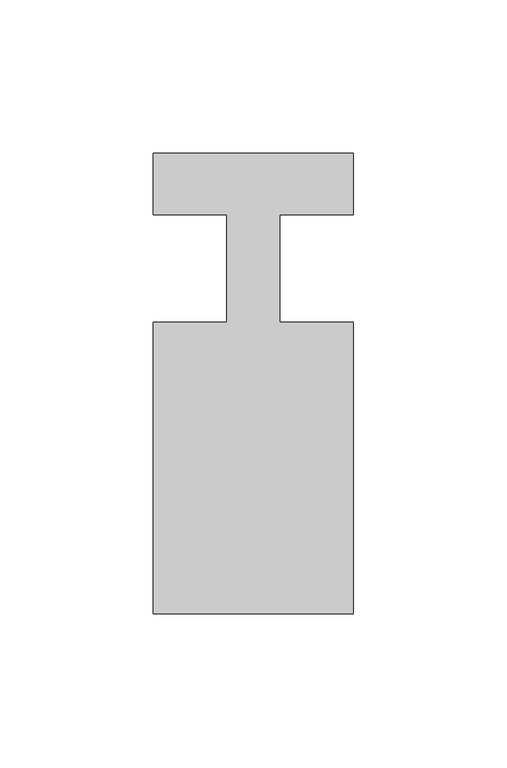
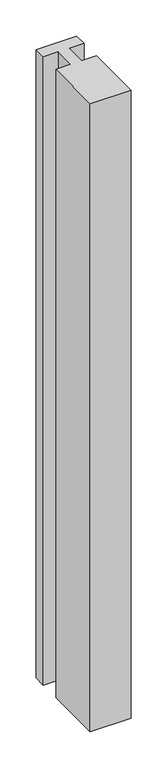
"""IFC4 building model written with IfcOpenShell, lengths in millimetres: member geometry."""

import ifcopenshell
import ifcopenshell.guid

model = None  # the IFC model being written
_history = None  # IfcOwnerHistory: only IFC2X3 demands one
_inside = {}  # id of a spatial element -> (the spatial element, [elements in it])
_under = {}  # id of a project, library or spatial element -> (it, [spatial elements below it])
_declared = {}  # id of a project -> (the project, [libraries it declares])
_typed = {}  # id of a type object -> (the type object, [elements of that type])
_made_of = {}  # id of a material, layer set ... -> (it, [elements and type objects made of it])


def new_model(schema):
    """Start an empty IFC model of exactly this schema.

    Asked for "IFC4X3", IfcOpenShell would pick the latest addendum, in which some entities
    have other attributes; the version numbers below select the first issue.
    IFC2X3 requires an IfcOwnerHistory on every rooted entity: one is made here for all.
    """
    global model, _history
    if schema == "IFC4X3":
        model = ifcopenshell.file(schema_version=(4, 3, 0, 0))
    else:
        model = ifcopenshell.file(schema=schema)
    _inside.clear()
    _under.clear()
    _declared.clear()
    _typed.clear()
    _made_of.clear()
    _history = None
    if model.schema == "IFC2X3":
        org = make("IfcOrganization", Name="unknown")
        user = make(
            "IfcPersonAndOrganization",
            ThePerson=make("IfcPerson", FamilyName="unknown"),
            TheOrganization=org,
        )
        app = make(
            "IfcApplication",
            ApplicationDeveloper=org,
            Version="unknown",
            ApplicationFullName="unknown",
            ApplicationIdentifier="unknown",
        )
        _history = make(
            "IfcOwnerHistory",
            OwningUser=user,
            OwningApplication=app,
            ChangeAction="ADDED",
            CreationDate=0,
        )
    return model


def make(cls, **values):
    """One entity of the class cls with the attributes given. An attribute that is None is left unset."""
    return model.create_entity(
        cls, **{name: value for name, value in values.items() if value is not None}
    )


def rooted(cls, **values):
    """An entity with a GlobalId (a new one), such as an element, a storey or a relation."""
    return make(cls, GlobalId=ifcopenshell.guid.new(), OwnerHistory=_history, **values)


def si_unit(unit_type, name, prefix=None):
    """IfcSIUnit, for example si_unit("LENGTHUNIT", "METRE", prefix="MILLI")."""
    return make("IfcSIUnit", UnitType=unit_type, Prefix=prefix, Name=name)


def assignment(units):
    """IfcUnitAssignment: the units of a project."""
    return None if units is None else make("IfcUnitAssignment", Units=units)


def point(xyz):
    """IfcCartesianPoint."""
    return None if xyz is None else make("IfcCartesianPoint", Coordinates=xyz)


def direction(xyz):
    """IfcDirection."""
    return None if xyz is None else make("IfcDirection", DirectionRatios=xyz)


def frame(location, z_axis=None, x_axis=None):
    """IfcAxis2Placement3D, a coordinate frame: its origin and axes. An axis left out is left unset."""
    return make(
        "IfcAxis2Placement3D",
        Location=point(location),
        Axis=direction(z_axis),
        RefDirection=direction(x_axis),
    )


def origin():
    """The frame at (0, 0, 0) with its axes left unset."""
    return frame((0.0, 0.0, 0.0))


def place(relative_to, where):
    """IfcLocalPlacement: puts the frame where relative to a parent placement (None: the world)."""
    return make(
        "IfcLocalPlacement", PlacementRelTo=relative_to, RelativePlacement=where
    )


def context(
    kind, dimensions, precision=None, world=None, true_north=None, identifier=None
):
    """IfcGeometricRepresentationContext, for example the 3D "Model" context."""
    return make(
        "IfcGeometricRepresentationContext",
        ContextIdentifier=identifier,
        ContextType=kind,
        CoordinateSpaceDimension=dimensions,
        Precision=precision,
        WorldCoordinateSystem=world,
        TrueNorth=true_north,
    )


def project(units=None, contexts=None):
    """IfcProject with its units and contexts."""
    return rooted(
        "IfcProject",
        Name="project",
        RepresentationContexts=contexts,
        UnitsInContext=assignment(units),
    )


def spatial(cls, under=None, at=None, **own):
    """A site, building, storey or space (cls), placed at a placement, below another one or the project."""
    s = rooted(cls, ObjectPlacement=at, **own)
    if under is not None:
        _under.setdefault(under.id(), (under, []))[1].append(s)
    return s


def polyline(points):
    """IfcPolyline through the points."""
    return make("IfcPolyline", Points=[point(p) for p in points])


def outline(outer, holes=None, kind="AREA"):
    """IfcArbitraryClosedProfileDef: a profile drawn as a closed curve; with holes, ...WithVoids."""
    if holes is None:
        return make("IfcArbitraryClosedProfileDef", ProfileType=kind, OuterCurve=outer)
    return make(
        "IfcArbitraryProfileDefWithVoids",
        ProfileType=kind,
        OuterCurve=outer,
        InnerCurves=holes,
    )


def extrude(swept, where, along, depth):
    """IfcExtrudedAreaSolid: the profile swept, set in the frame where, extruded along a direction by depth."""
    return make(
        "IfcExtrudedAreaSolid",
        SweptArea=swept,
        Position=where,
        ExtrudedDirection=direction(along),
        Depth=depth,
    )


def shape(context_of_items, identifier, shape_type, items):
    """IfcShapeRepresentation: the items that make up one representation, for example the "Body"."""
    return make(
        "IfcShapeRepresentation",
        ContextOfItems=context_of_items,
        RepresentationIdentifier=identifier,
        RepresentationType=shape_type,
        Items=items,
    )


def source(mapping_origin, context_of_items, identifier, shape_type, items):
    """IfcRepresentationMap: a shape defined once, which mapped items show again and again."""
    return make(
        "IfcRepresentationMap",
        MappingOrigin=mapping_origin,
        MappedRepresentation=shape(context_of_items, identifier, shape_type, items),
    )


def transform(
    local_origin,
    x_axis=None,
    y_axis=None,
    z_axis=None,
    scale=None,
    scale2=None,
    scale3=None,
    uniform=True,
):
    """IfcCartesianTransformationOperator3D, or its non-uniform kind. x_axis, y_axis, z_axis: its Axis1, 2, 3."""
    if uniform:
        return make(
            "IfcCartesianTransformationOperator3D",
            Axis1=direction(x_axis),
            Axis2=direction(y_axis),
            LocalOrigin=point(local_origin),
            Scale=scale,
            Axis3=direction(z_axis),
        )
    return make(
        "IfcCartesianTransformationOperator3DnonUniform",
        Axis1=direction(x_axis),
        Axis2=direction(y_axis),
        LocalOrigin=point(local_origin),
        Scale=scale,
        Axis3=direction(z_axis),
        Scale2=scale2,
        Scale3=scale3,
    )


def mapped(mapping_source, mapping_target):
    """IfcMappedItem: shows the shape of a source again, moved by a transform."""
    return make(
        "IfcMappedItem", MappingSource=mapping_source, MappingTarget=mapping_target
    )


def made_of(thing, what):
    """Note that an element or type object is made of a material, layer set ...; save() writes the relation."""
    if what is not None:
        _made_of.setdefault(what.id(), (what, []))[1].append(thing)
    return thing


def element(
    cls,
    number,
    at=None,
    inside=None,
    cuts=None,
    type_object=None,
    material=None,
    context=None,
    identifier="Body",
    shape_type=None,
    held_by="IfcProductDefinitionShape",
    body=None,
    shapes=None,
    **own,
):
    """One element of the class cls, such as IfcWall. Its Tag is "e" and its number.

    at: its placement. inside: the storey or other place that contains it. cuts: it is an
    opening in that element (IfcRelVoidsElement). A single representation is given by context,
    identifier, shape_type and body (its items); several are given by shapes. held_by: the class
    of the entity that holds the representations. save() writes the other relations.
    """
    e = rooted(cls, Tag="e%d" % number, ObjectPlacement=at, **own)
    if body is not None:
        shapes = [shape(context, identifier, shape_type, body)]
    if shapes is not None:
        e.Representation = make(held_by, Representations=shapes)
    if inside is not None:
        _inside.setdefault(inside.id(), (inside, []))[1].append(e)
    if cuts is not None:
        rooted(
            "IfcRelVoidsElement", RelatingBuildingElement=cuts, RelatedOpeningElement=e
        )
    if type_object is not None:
        _typed.setdefault(type_object.id(), (type_object, []))[1].append(e)
    return made_of(e, material)


def aggregate(whole, parts):
    """IfcRelAggregates: a whole, such as a stair, and the parts it consists of."""
    return rooted("IfcRelAggregates", RelatingObject=whole, RelatedObjects=parts)


def save(model, path):
    """Write the relations noted so far, then the file.

    IfcRelAggregates (storeys below a building ...), IfcRelContainedInSpatialStructure (elements
    in a storey), IfcRelDefinesByType, IfcRelAssociatesMaterial and IfcRelDeclares: one each for
    every whole, place, type object, material and project.
    """
    for whole, parts in _under.values():
        aggregate(whole, parts)
    for where, things in _inside.values():
        rooted(
            "IfcRelContainedInSpatialStructure",
            RelatedElements=things,
            RelatingStructure=where,
        )
    for kind, things in _typed.values():
        rooted("IfcRelDefinesByType", RelatedObjects=things, RelatingType=kind)
    for what, things in _made_of.values():
        rooted("IfcRelAssociatesMaterial", RelatedObjects=things, RelatingMaterial=what)
    for by, libraries in _declared.values():
        rooted("IfcRelDeclares", RelatingContext=by, RelatedDefinitions=libraries)
    model.write(path)


def member_1b7419a5(model_context):
    return source(origin(), model_context, "Body", "SweptSolid", [
        extrude(outline(polyline([(0.0, 37.0), (0.0, 17.0), (-23.8125, 17.0), (-23.8125, -18.0), (0.0, -18.0), (0.0, -113.0), (-65.0, -113.0), (-65.0, -18.0), (-41.1875, -18.0), (-41.1875, 17.0), (-65.0, 17.0), (-65.0, 37.0), (0.0, 37.0)])), frame((0.0, 0.0, -1060.0), z_axis=(0.0, 0.0, 1.0), x_axis=(1.0, 0.0, 0.0)), (0.0, 0.0, 1.0), 1060.0),
    ])


if __name__ == "__main__":
    model = new_model("IFC4")
    model_context = context("Model", 3, world=origin())
    ifc_project = project(units=[si_unit("LENGTHUNIT", "METRE", prefix="MILLI")], contexts=[model_context])
    site = spatial("IfcSite", under=ifc_project)
    building = spatial("IfcBuilding", under=site)
    placement = place(None, origin())
    member_shape = member_1b7419a5(model_context)
    element("IfcMember", 1, at=placement, inside=building, context=model_context, shape_type="MappedRepresentation", body=[
        mapped(member_shape, transform((0.0, 0.0, 0.0), x_axis=(1.0, 0.0, 0.0), y_axis=(0.0, 1.0, 0.0), z_axis=(0.0, 0.0, 1.0))),
    ])
    save(model, "model.ifc")
